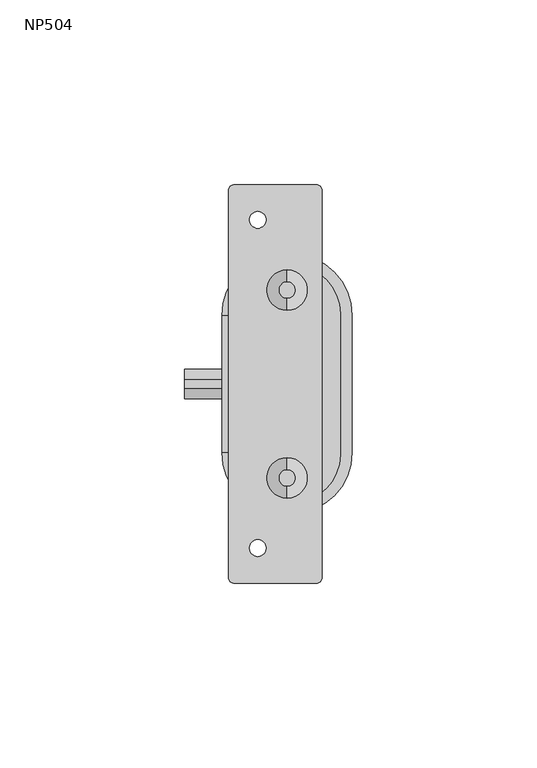
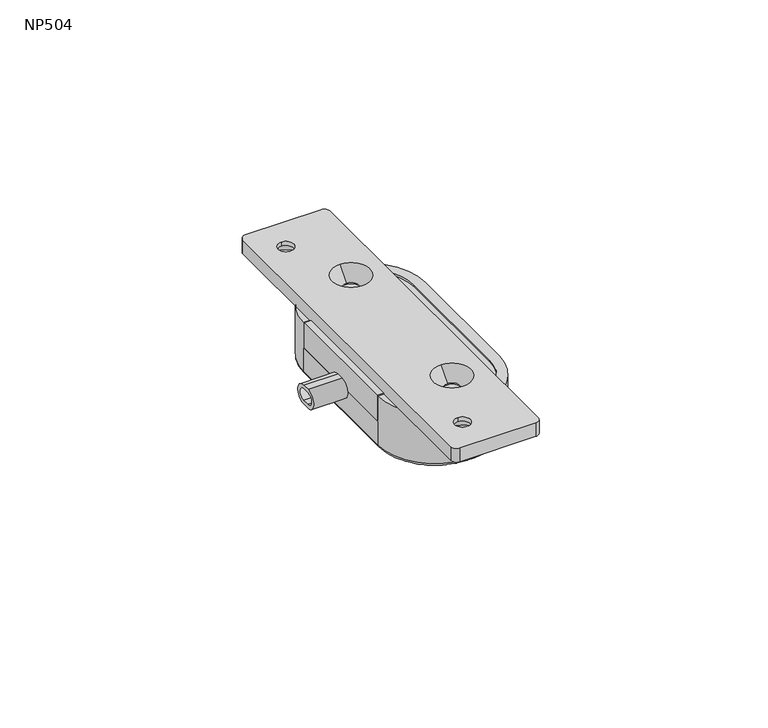
"""IFC4 building model written with IfcOpenShell, lengths in millimetres: furniture geometry, NP504."""

import ifcopenshell
import ifcopenshell.guid

model = None  # the IFC model being written
_history = None  # IfcOwnerHistory: only IFC2X3 demands one
_inside = {}  # id of a spatial element -> (the spatial element, [elements in it])
_under = {}  # id of a project, library or spatial element -> (it, [spatial elements below it])
_declared = {}  # id of a project -> (the project, [libraries it declares])
_typed = {}  # id of a type object -> (the type object, [elements of that type])
_made_of = {}  # id of a material, layer set ... -> (it, [elements and type objects made of it])


def new_model(schema):
    """Start an empty IFC model of exactly this schema.

    Asked for "IFC4X3", IfcOpenShell would pick the latest addendum, in which some entities
    have other attributes; the version numbers below select the first issue.
    IFC2X3 requires an IfcOwnerHistory on every rooted entity: one is made here for all.
    """
    global model, _history
    if schema == "IFC4X3":
        model = ifcopenshell.file(schema_version=(4, 3, 0, 0))
    else:
        model = ifcopenshell.file(schema=schema)
    _inside.clear()
    _under.clear()
    _declared.clear()
    _typed.clear()
    _made_of.clear()
    _history = None
    if model.schema == "IFC2X3":
        org = make("IfcOrganization", Name="unknown")
        user = make(
            "IfcPersonAndOrganization",
            ThePerson=make("IfcPerson", FamilyName="unknown"),
            TheOrganization=org,
        )
        app = make(
            "IfcApplication",
            ApplicationDeveloper=org,
            Version="unknown",
            ApplicationFullName="unknown",
            ApplicationIdentifier="unknown",
        )
        _history = make(
            "IfcOwnerHistory",
            OwningUser=user,
            OwningApplication=app,
            ChangeAction="ADDED",
            CreationDate=0,
        )
    return model


def make(cls, **values):
    """One entity of the class cls with the attributes given. An attribute that is None is left unset."""
    return model.create_entity(
        cls, **{name: value for name, value in values.items() if value is not None}
    )


def rooted(cls, **values):
    """An entity with a GlobalId (a new one), such as an element, a storey or a relation."""
    return make(cls, GlobalId=ifcopenshell.guid.new(), OwnerHistory=_history, **values)


def si_unit(unit_type, name, prefix=None):
    """IfcSIUnit, for example si_unit("LENGTHUNIT", "METRE", prefix="MILLI")."""
    return make("IfcSIUnit", UnitType=unit_type, Prefix=prefix, Name=name)


def assignment(units):
    """IfcUnitAssignment: the units of a project."""
    return None if units is None else make("IfcUnitAssignment", Units=units)


def point(xyz):
    """IfcCartesianPoint."""
    return None if xyz is None else make("IfcCartesianPoint", Coordinates=xyz)


def direction(xyz):
    """IfcDirection."""
    return None if xyz is None else make("IfcDirection", DirectionRatios=xyz)


def frame(location, z_axis=None, x_axis=None):
    """IfcAxis2Placement3D, a coordinate frame: its origin and axes. An axis left out is left unset."""
    return make(
        "IfcAxis2Placement3D",
        Location=point(location),
        Axis=direction(z_axis),
        RefDirection=direction(x_axis),
    )


def frame_2d(location, x_axis=None):
    """IfcAxis2Placement2D, a coordinate frame in the plane: its origin and x axis."""
    return make(
        "IfcAxis2Placement2D", Location=point(location), RefDirection=direction(x_axis)
    )


def origin():
    """The frame at (0, 0, 0) with its axes left unset."""
    return frame((0.0, 0.0, 0.0))


def place(relative_to, where):
    """IfcLocalPlacement: puts the frame where relative to a parent placement (None: the world)."""
    return make(
        "IfcLocalPlacement", PlacementRelTo=relative_to, RelativePlacement=where
    )


def context(
    kind, dimensions, precision=None, world=None, true_north=None, identifier=None
):
    """IfcGeometricRepresentationContext, for example the 3D "Model" context."""
    return make(
        "IfcGeometricRepresentationContext",
        ContextIdentifier=identifier,
        ContextType=kind,
        CoordinateSpaceDimension=dimensions,
        Precision=precision,
        WorldCoordinateSystem=world,
        TrueNorth=true_north,
    )


def project(units=None, contexts=None):
    """IfcProject with its units and contexts."""
    return rooted(
        "IfcProject",
        Name="project",
        RepresentationContexts=contexts,
        UnitsInContext=assignment(units),
    )


def spatial(cls, under=None, at=None, **own):
    """A site, building, storey or space (cls), placed at a placement, below another one or the project."""
    s = rooted(cls, ObjectPlacement=at, **own)
    if under is not None:
        _under.setdefault(under.id(), (under, []))[1].append(s)
    return s


def polyline(points):
    """IfcPolyline through the points."""
    return make("IfcPolyline", Points=[point(p) for p in points])


def circle_curve(where, radius):
    """IfcCircle in the frame where."""
    return make("IfcCircle", Position=where, Radius=radius)


def ellipse_curve(where, semi_axis1, semi_axis2):
    """IfcEllipse in the frame where."""
    return make(
        "IfcEllipse", Position=where, SemiAxis1=semi_axis1, SemiAxis2=semi_axis2
    )


def trimmed(basis, trim1, trim2, sense, master):
    """IfcTrimmedCurve: the piece of a basis curve between two trims."""
    return make(
        "IfcTrimmedCurve",
        BasisCurve=basis,
        Trim1=trim1,
        Trim2=trim2,
        SenseAgreement=sense,
        MasterRepresentation=master,
    )


def segment(curve, same_sense, transition):
    """IfcCompositeCurveSegment."""
    return make(
        "IfcCompositeCurveSegment",
        Transition=transition,
        SameSense=same_sense,
        ParentCurve=curve,
    )


def composite_curve(segments, self_intersect=None):
    """IfcCompositeCurve: segments joined end to end."""
    return make("IfcCompositeCurve", Segments=segments, SelfIntersect=self_intersect)


def outline(outer, holes=None, kind="AREA"):
    """IfcArbitraryClosedProfileDef: a profile drawn as a closed curve; with holes, ...WithVoids."""
    if holes is None:
        return make("IfcArbitraryClosedProfileDef", ProfileType=kind, OuterCurve=outer)
    return make(
        "IfcArbitraryProfileDefWithVoids",
        ProfileType=kind,
        OuterCurve=outer,
        InnerCurves=holes,
    )


def extrude(swept, where, along, depth):
    """IfcExtrudedAreaSolid: the profile swept, set in the frame where, extruded along a direction by depth."""
    return make(
        "IfcExtrudedAreaSolid",
        SweptArea=swept,
        Position=where,
        ExtrudedDirection=direction(along),
        Depth=depth,
    )


def shape(context_of_items, identifier, shape_type, items):
    """IfcShapeRepresentation: the items that make up one representation, for example the "Body"."""
    return make(
        "IfcShapeRepresentation",
        ContextOfItems=context_of_items,
        RepresentationIdentifier=identifier,
        RepresentationType=shape_type,
        Items=items,
    )


def source(mapping_origin, context_of_items, identifier, shape_type, items):
    """IfcRepresentationMap: a shape defined once, which mapped items show again and again."""
    return make(
        "IfcRepresentationMap",
        MappingOrigin=mapping_origin,
        MappedRepresentation=shape(context_of_items, identifier, shape_type, items),
    )


def transform(
    local_origin,
    x_axis=None,
    y_axis=None,
    z_axis=None,
    scale=None,
    scale2=None,
    scale3=None,
    uniform=True,
):
    """IfcCartesianTransformationOperator3D, or its non-uniform kind. x_axis, y_axis, z_axis: its Axis1, 2, 3."""
    if uniform:
        return make(
            "IfcCartesianTransformationOperator3D",
            Axis1=direction(x_axis),
            Axis2=direction(y_axis),
            LocalOrigin=point(local_origin),
            Scale=scale,
            Axis3=direction(z_axis),
        )
    return make(
        "IfcCartesianTransformationOperator3DnonUniform",
        Axis1=direction(x_axis),
        Axis2=direction(y_axis),
        LocalOrigin=point(local_origin),
        Scale=scale,
        Axis3=direction(z_axis),
        Scale2=scale2,
        Scale3=scale3,
    )


def mapped(mapping_source, mapping_target):
    """IfcMappedItem: shows the shape of a source again, moved by a transform."""
    return make(
        "IfcMappedItem", MappingSource=mapping_source, MappingTarget=mapping_target
    )


def made_of(thing, what):
    """Note that an element or type object is made of a material, layer set ...; save() writes the relation."""
    if what is not None:
        _made_of.setdefault(what.id(), (what, []))[1].append(thing)
    return thing


def element(
    cls,
    number,
    at=None,
    inside=None,
    cuts=None,
    type_object=None,
    material=None,
    context=None,
    identifier="Body",
    shape_type=None,
    held_by="IfcProductDefinitionShape",
    body=None,
    shapes=None,
    **own,
):
    """One element of the class cls, such as IfcWall. Its Tag is "e" and its number.

    at: its placement. inside: the storey or other place that contains it. cuts: it is an
    opening in that element (IfcRelVoidsElement). A single representation is given by context,
    identifier, shape_type and body (its items); several are given by shapes. held_by: the class
    of the entity that holds the representations. save() writes the other relations.
    """
    e = rooted(cls, Tag="e%d" % number, ObjectPlacement=at, **own)
    if body is not None:
        shapes = [shape(context, identifier, shape_type, body)]
    if shapes is not None:
        e.Representation = make(held_by, Representations=shapes)
    if inside is not None:
        _inside.setdefault(inside.id(), (inside, []))[1].append(e)
    if cuts is not None:
        rooted(
            "IfcRelVoidsElement", RelatingBuildingElement=cuts, RelatedOpeningElement=e
        )
    if type_object is not None:
        _typed.setdefault(type_object.id(), (type_object, []))[1].append(e)
    return made_of(e, material)


def aggregate(whole, parts):
    """IfcRelAggregates: a whole, such as a stair, and the parts it consists of."""
    return rooted("IfcRelAggregates", RelatingObject=whole, RelatedObjects=parts)


def save(model, path):
    """Write the relations noted so far, then the file.

    IfcRelAggregates (storeys below a building ...), IfcRelContainedInSpatialStructure (elements
    in a storey), IfcRelDefinesByType, IfcRelAssociatesMaterial and IfcRelDeclares: one each for
    every whole, place, type object, material and project.
    """
    for whole, parts in _under.values():
        aggregate(whole, parts)
    for where, things in _inside.values():
        rooted(
            "IfcRelContainedInSpatialStructure",
            RelatedElements=things,
            RelatingStructure=where,
        )
    for kind, things in _typed.values():
        rooted("IfcRelDefinesByType", RelatedObjects=things, RelatingType=kind)
    for what, things in _made_of.values():
        rooted("IfcRelAssociatesMaterial", RelatedObjects=things, RelatingMaterial=what)
    for by, libraries in _declared.values():
        rooted("IfcRelDeclares", RelatingContext=by, RelatedDefinitions=libraries)
    model.write(path)


def plane_surface(at):
    """IfcPlane: the flat surface through the origin of the frame at, square to its z axis."""
    return make("IfcPlane", Position=at)


def cylinder_surface(at, radius):
    """IfcCylindricalSurface: all points at the distance radius from the z axis of the frame at."""
    return make("IfcCylindricalSurface", Position=at, Radius=radius)


def revolved_surface(curve, axis_point, axis_direction):
    """IfcSurfaceOfRevolution: the curve turned about the line through axis_point along axis_direction."""
    return make(
        "IfcSurfaceOfRevolution",
        SweptCurve=make("IfcArbitraryOpenProfileDef", ProfileType="CURVE", Curve=curve),
        AxisPosition=make("IfcAxis1Placement", Location=point(axis_point), Axis=direction(axis_direction)),
    )


def advanced_brep(points, edges, surfaces, faces):
    """IfcAdvancedBrep: a solid bounded by faces that lie on surfaces and meet in shared edges.

    An edge is (start, end): straight between two places in points (the first is 0);
    or (start, end, curve); or (start, end, curve, False) where it runs against its curve.
    A face is (place in surfaces, loops), or (place, loops, False) where it looks against
    its surface's normal. A loop lists edges by number (the first is 1), with a minus sign
    where the edge is run from its end to its start. The first loop is the outer one.
    """
    corners = [point(p) for p in points]
    vertices = [make("IfcVertexPoint", VertexGeometry=c) for c in corners]
    made = []
    for start, end, *more in edges:
        made.append(
            make(
                "IfcEdgeCurve",
                EdgeStart=vertices[start],
                EdgeEnd=vertices[end],
                EdgeGeometry=more[0] if more else make("IfcPolyline", Points=[corners[start], corners[end]]),
                SameSense=more[1] if len(more) > 1 else True,
            )
        )
    hull = []
    for where, loops, *sense in faces:
        bounds = []
        for j, loop in enumerate(loops):
            ring = [make("IfcOrientedEdge", EdgeElement=made[abs(k) - 1], Orientation=k > 0) for k in loop]
            bounds.append(
                make(
                    "IfcFaceOuterBound" if j == 0 else "IfcFaceBound",
                    Bound=make("IfcEdgeLoop", EdgeList=ring),
                    Orientation=True,
                )
            )
        hull.append(make("IfcAdvancedFace", Bounds=bounds, FaceSurface=surfaces[where], SameSense=sense[0] if sense else True))
    return make("IfcAdvancedBrep", Outer=make("IfcClosedShell", CfsFaces=hull))


def np504_a72cf1e8(model_context):
    return source(origin(), model_context, "Body", "SolidModel", [
        extrude(outline(polyline([(-27.165, -18.415), (-27.165, 18.415), (-24.117, 18.415), (-24.117, -18.415), (-27.165, -18.415)])), frame((0.0, 0.0, -11.93546), z_axis=(0.0, 0.0, 1.0), x_axis=(1.0, 0.0, 0.0)), (0.0, 0.0, 1.0), 7.74446),
        advanced_brep(
        [(-25.4, 52.324, -4.191), (-23.749, 53.975, -4.191), (-1.651, 53.975, -4.191), (0.0, 52.324, -4.191), (0.0, -52.324, -4.191), (-1.651, -53.975, -4.191), (-23.749, -53.975, -4.191), (-25.4, -52.324, -4.191), (-12.7460418, -44.4412129, -4.191), (-22.1440418, -44.4412129, -4.191), (-12.7460418, 44.4587871, -4.191), (-22.1440418, 44.4587871, -4.191), (-9.4962863, -27.699568, -4.191), (-9.4962863, -23.1598636, -4.191), (-9.4962863, 23.1500414, -4.191), (-9.4962863, 27.6897458, -4.191), (-25.4, 52.324, 0.0), (-25.4, -52.324, 0.0), (-23.749, -53.975, 0.0), (-1.651, -53.975, 0.0), (0.0, -52.324, 0.0), (0.0, 52.324, 0.0), (-1.651, 53.975, 0.0), (-23.749, 53.975, 0.0), (-9.4962863, 30.8808936, 0.0), (-9.4962863, 19.9588936, 0.0), (-9.4962863, -19.9687158, 0.0), (-9.4962863, -30.8907158, 0.0), (-17.4450418, -46.7110652, 0.0), (-17.4450418, -42.1713607, 0.0), (-17.4450418, 42.1889348, 0.0), (-17.4450418, 46.7286393, 0.0), (-15.1751896, -44.4412129, -1.3076661), (-17.4450418, -42.1713607, -1.3076661), (-19.714894, -44.4412129, -1.3076661), (-17.4450418, -46.7110652, -1.3076661), (-15.1751896, 44.4587871, -1.3076661), (-17.4450418, 46.7286393, -1.3076661), (-19.714894, 44.4587871, -1.3076661), (-17.4450418, 42.1889348, -1.3076661), (-9.4962863, 27.6897458, -3.828242), (-9.4962863, 23.1500414, -3.828242), (-9.4962863, -23.1598636, -3.828242), (-9.4962863, -27.699568, -3.828242)],
        [
            (0, 1, circle_curve(frame((-23.749, 52.324, -4.191), z_axis=(0.0, 0.0, -1.0), x_axis=(0.0, 1.0, 0.0)), 1.651)),
            (1, 2),
            (2, 3, circle_curve(frame((-1.651, 52.324, -4.191), z_axis=(0.0, 0.0, -1.0), x_axis=(0.0, 1.0, 0.0)), 1.651)),
            (3, 4),
            (4, 5, circle_curve(frame((-1.651, -52.324, -4.191), z_axis=(0.0, 0.0, -1.0), x_axis=(0.0, 1.0, 0.0)), 1.651)),
            (5, 6),
            (6, 7, circle_curve(frame((-23.749, -52.324, -4.191), z_axis=(0.0, 0.0, -1.0), x_axis=(0.0, 1.0, 0.0)), 1.651)),
            (7, 0),
            (8, 9, circle_curve(frame((-17.4450418, -44.4412129, -4.191), z_axis=(0.0, 0.0, 1.0), x_axis=(1.0, 0.0, 0.0)), 4.699)),
            (9, 8, circle_curve(frame((-17.4450418, -44.4412129, -4.191), z_axis=(0.0, 0.0, 1.0), x_axis=(-1.0, 0.0, 0.0)), 4.699)),
            (10, 11, circle_curve(frame((-17.4450418, 44.4587871, -4.191), z_axis=(0.0, 0.0, 1.0), x_axis=(1.0, 0.0, 0.0)), 4.699)),
            (11, 10, circle_curve(frame((-17.4450418, 44.4587871, -4.191), z_axis=(0.0, 0.0, 1.0), x_axis=(-1.0, 0.0, 0.0)), 4.699)),
            (12, 13, circle_curve(frame((-9.4962863, -25.4297158, -4.191), z_axis=(0.0, 0.0, 1.0), x_axis=(0.0, 1.0, 0.0)), 2.2698522)),
            (13, 12, circle_curve(frame((-9.4962863, -25.4297158, -4.191), z_axis=(0.0, 0.0, 1.0), x_axis=(0.0, 1.0, 0.0)), 2.2698522)),
            (14, 15, circle_curve(frame((-9.4962863, 25.4198936, -4.191), z_axis=(0.0, 0.0, 1.0), x_axis=(0.0, 1.0, 0.0)), 2.2698522)),
            (15, 14, circle_curve(frame((-9.4962863, 25.4198936, -4.191), z_axis=(0.0, 0.0, 1.0), x_axis=(0.0, 1.0, 0.0)), 2.2698522)),
            (16, 17),
            (17, 18, circle_curve(frame((-23.749, -52.324, 0.0), z_axis=(0.0, 0.0, 1.0), x_axis=(0.0, 1.0, 0.0)), 1.651)),
            (18, 19),
            (19, 20, circle_curve(frame((-1.651, -52.324, 0.0), z_axis=(0.0, 0.0, 1.0), x_axis=(0.0, 1.0, 0.0)), 1.651)),
            (20, 21),
            (21, 22, circle_curve(frame((-1.651, 52.324, 0.0), z_axis=(0.0, 0.0, 1.0), x_axis=(0.0, 1.0, 0.0)), 1.651)),
            (22, 23),
            (23, 16, circle_curve(frame((-23.749, 52.324, 0.0), z_axis=(0.0, 0.0, 1.0), x_axis=(0.0, 1.0, 0.0)), 1.651)),
            (24, 25, circle_curve(frame((-9.4962863, 25.4198936, 0.0), z_axis=(0.0, 0.0, -1.0), x_axis=(0.0, 1.0, 0.0)), 5.461)),
            (25, 24, circle_curve(frame((-9.4962863, 25.4198936, 0.0), z_axis=(0.0, 0.0, -1.0), x_axis=(0.0, -1.0, 0.0)), 5.461)),
            (26, 27, circle_curve(frame((-9.4962863, -25.4297158, 0.0), z_axis=(0.0, 0.0, -1.0), x_axis=(0.0, 1.0, 0.0)), 5.461)),
            (27, 26, circle_curve(frame((-9.4962863, -25.4297158, 0.0), z_axis=(0.0, 0.0, -1.0), x_axis=(0.0, -1.0, 0.0)), 5.461)),
            (28, 29, circle_curve(frame((-17.4450418, -44.4412129, 0.0), z_axis=(0.0, 0.0, -1.0), x_axis=(0.0, 1.0, 0.0)), 2.2698522)),
            (29, 28, circle_curve(frame((-17.4450418, -44.4412129, 0.0), z_axis=(0.0, 0.0, -1.0), x_axis=(0.0, 1.0, 0.0)), 2.2698522)),
            (30, 31, circle_curve(frame((-17.4450418, 44.4587871, 0.0), z_axis=(0.0, 0.0, -1.0), x_axis=(0.0, 1.0, 0.0)), 2.2698522)),
            (31, 30, circle_curve(frame((-17.4450418, 44.4587871, 0.0), z_axis=(0.0, 0.0, -1.0), x_axis=(0.0, 1.0, 0.0)), 2.2698522)),
            (7, 17),
            (16, 0),
            (6, 18),
            (5, 19),
            (4, 20),
            (3, 21),
            (2, 22),
            (1, 23),
            (8, 32),
            (32, 33, circle_curve(frame((-17.4450418, -44.4412129, -1.3076661), z_axis=(0.0, 0.0, 1.0), x_axis=(1.0, 0.0, 0.0)), 2.2698522)),
            (33, 34, circle_curve(frame((-17.4450418, -44.4412129, -1.3076661), z_axis=(0.0, 0.0, 1.0), x_axis=(1.0, 0.0, 0.0)), 2.2698522)),
            (34, 9),
            (34, 35, circle_curve(frame((-17.4450418, -44.4412129, -1.3076661), z_axis=(0.0, 0.0, 1.0), x_axis=(-1.0, 0.0, 0.0)), 2.2698522)),
            (35, 32, circle_curve(frame((-17.4450418, -44.4412129, -1.3076661), z_axis=(0.0, 0.0, 1.0), x_axis=(-1.0, 0.0, 0.0)), 2.2698522)),
            (10, 36),
            (36, 37, circle_curve(frame((-17.4450418, 44.4587871, -1.3076661), z_axis=(0.0, 0.0, 1.0), x_axis=(1.0, 0.0, 0.0)), 2.2698522)),
            (37, 38, circle_curve(frame((-17.4450418, 44.4587871, -1.3076661), z_axis=(0.0, 0.0, 1.0), x_axis=(1.0, 0.0, 0.0)), 2.2698522)),
            (38, 11),
            (38, 39, circle_curve(frame((-17.4450418, 44.4587871, -1.3076661), z_axis=(0.0, 0.0, 1.0), x_axis=(-1.0, 0.0, 0.0)), 2.2698522)),
            (39, 36, circle_curve(frame((-17.4450418, 44.4587871, -1.3076661), z_axis=(0.0, 0.0, 1.0), x_axis=(-1.0, 0.0, 0.0)), 2.2698522)),
            (24, 40),
            (40, 41, circle_curve(frame((-9.4962863, 25.4198936, -3.828242), z_axis=(0.0, 0.0, -1.0), x_axis=(0.0, 1.0, 0.0)), 2.2698522)),
            (41, 25),
            (41, 40, circle_curve(frame((-9.4962863, 25.4198936, -3.828242), z_axis=(0.0, 0.0, -1.0), x_axis=(0.0, -1.0, 0.0)), 2.2698522)),
            (26, 42),
            (42, 43, circle_curve(frame((-9.4962863, -25.4297158, -3.828242), z_axis=(0.0, 0.0, -1.0), x_axis=(0.0, 1.0, 0.0)), 2.2698522)),
            (43, 27),
            (43, 42, circle_curve(frame((-9.4962863, -25.4297158, -3.828242), z_axis=(0.0, 0.0, -1.0), x_axis=(0.0, -1.0, 0.0)), 2.2698522)),
            (28, 35),
            (33, 29),
            (13, 42),
            (43, 12),
            (15, 40),
            (41, 14),
            (30, 39),
            (37, 31),
        ],
        [
            plane_surface(frame((-25.4, -52.3875, -4.191), z_axis=(0.0, 0.0, -1.0), x_axis=(0.0, 1.0, 0.0))),
            plane_surface(frame((-25.4, -52.3875, 0.0), z_axis=(0.0, 0.0, 1.0), x_axis=(0.0, -1.0, 0.0))),
            plane_surface(frame((-25.4, 52.324, 0.0), z_axis=(-1.0, 0.0, 0.0), x_axis=(0.0, 0.0, -1.0))),
            cylinder_surface(frame((-23.749, -52.324, -4.191), z_axis=(0.0, 0.0, 1.0), x_axis=(0.0, 1.0, 0.0)), 1.651),
            plane_surface(frame((-23.749, -53.975, 0.0), z_axis=(0.0, -1.0, 0.0), x_axis=(0.0, 0.0, -1.0))),
            cylinder_surface(frame((-1.651, -52.324, -4.191), z_axis=(0.0, 0.0, 1.0), x_axis=(0.0, 1.0, 0.0)), 1.651),
            plane_surface(frame((0.0, -52.324, 0.0), z_axis=(1.0, 0.0, 0.0), x_axis=(0.0, 0.0, -1.0))),
            cylinder_surface(frame((-1.651, 52.324, -4.191), z_axis=(0.0, 0.0, 1.0), x_axis=(0.0, 1.0, 0.0)), 1.651),
            plane_surface(frame((-1.651, 53.975, 0.0), z_axis=(0.0, 1.0, 0.0), x_axis=(0.0, 0.0, -1.0))),
            cylinder_surface(frame((-23.749, 52.324, -4.191), z_axis=(0.0, 0.0, 1.0), x_axis=(0.0, 1.0, 0.0)), 1.651),
            revolved_surface(polyline([(-12.7460418, -44.4412129, -4.191), (-15.175189580415198, -44.4412129, -1.3076660999999998)]), (-17.4450418, -44.4412129, 1.3865882), (0.0, 0.0, -1.0)),
            revolved_surface(polyline([(-12.7460418, 44.4587871, -4.191), (-15.175189580415198, 44.4587871, -1.3076660999999998)]), (-17.4450418, 44.4587871, 1.3865882), (0.0, 0.0, -1.0)),
            revolved_surface(polyline([(-9.4962863, 30.8808936, 0.0), (-9.4962863, 27.689745818301738, -3.828242)]), (-9.4962863, 25.4198936, -6.5512571), (0.0, 0.0, 1.0)),
            revolved_surface(polyline([(-9.4962863, -19.9687158, 0.0), (-9.4962863, -23.159863581698264, -3.828242)]), (-9.4962863, -25.4297158, -6.5512571), (0.0, 0.0, 1.0)),
            revolved_surface(polyline([(-17.4450418, -42.171360699999994, -1.3076661), (-17.4450418, -42.171360699999994, 0.0)]), (-17.4450418, -44.4412129, 0.0), (0.0, 0.0, -1.0)),
            revolved_surface(polyline([(-9.4962863, -23.1598636, -4.191), (-9.4962863, -23.1598636, -3.828242)]), (-9.4962863, -25.4297158, 0.0), (0.0, 0.0, -1.0)),
            revolved_surface(polyline([(-9.4962863, 27.6897458, -4.191), (-9.4962863, 27.6897458, -3.828242)]), (-9.4962863, 25.4198936, 0.0), (0.0, 0.0, -1.0)),
            revolved_surface(polyline([(-17.4450418, 46.728639300000005, -1.3076661), (-17.4450418, 46.728639300000005, 0.0)]), (-17.4450418, 44.4587871, 0.0), (0.0, 0.0, -1.0)),
        ],
        [
            (0, [[1, 2, 3, 4, 5, 6, 7, 8], [9, 10], [11, 12], [13, 14], [15, 16]]),
            (1, [[17, 18, 19, 20, 21, 22, 23, 24], [25, 26], [27, 28], [29, 30], [31, 32]]),
            (2, [[-8, 33, -17, 34]]),
            (3, [[-7, 35, -18, -33]]),
            (4, [[-6, 36, -19, -35]]),
            (5, [[-5, 37, -20, -36]]),
            (6, [[-4, 38, -21, -37]]),
            (7, [[-3, 39, -22, -38]]),
            (8, [[-2, 40, -23, -39]]),
            (9, [[-1, -34, -24, -40]]),
            (10, [[41, 42, 43, 44, -9]]),
            (10, [[-41, -10, -44, 45, 46]]),
            (11, [[47, 48, 49, 50, -11]]),
            (11, [[-47, -12, -50, 51, 52]]),
            (12, [[53, 54, 55, -25]]),
            (12, [[-53, -26, -55, 56]]),
            (13, [[57, 58, 59, -27]]),
            (13, [[-57, -28, -59, 60]]),
            (14, [[-29, 61, -45, -43, 62]]),
            (14, [[-30, -62, -42, -46, -61]]),
            (15, [[-14, 63, -60, 64]]),
            (15, [[-13, -64, -58, -63]]),
            (16, [[-16, 65, -56, 66]]),
            (16, [[-15, -66, -54, -65]]),
            (17, [[-31, 67, -51, -49, 68]]),
            (17, [[-32, -68, -48, -52, -67]]),
        ],
    ),
        extrude(outline(polyline([(-2.9467, -16.2297), (-2.9467, -6.7047), (5.575, -6.7047), (5.575, -16.2297), (-2.9467, -16.2297)])), frame((0.0, 0.0, -13.1552), z_axis=(0.0, 0.0, 1.0), x_axis=(1.0, 0.0, 0.0)), (0.0, 0.0, 1.0), 1.143),
        extrude(outline(polyline([(-2.9467, 6.7047), (-2.9467, 16.2297), (5.575, 16.2297), (5.575, 6.7047), (-2.9467, 6.7047)])), frame((0.0, 0.0, -13.1552), z_axis=(0.0, 0.0, 1.0), x_axis=(1.0, 0.0, 0.0)), (0.0, 0.0, 1.0), 1.143),
        advanced_brep(
        [(-27.165, -18.63, -4.191), (-10.655, -35.14, -4.191), (-8.395, -35.14, -4.191), (8.115, -18.63, -4.191), (8.115, 18.63, -4.191), (-8.395, 35.14, -4.191), (-10.655, 35.14, -4.191), (-27.165, 18.63, -4.191), (-24.117, 18.669, -4.191), (-24.117, 19.0466249, -4.191), (-11.0843249, 32.0793, -4.191), (-7.9486734, 32.0793, -4.191), (5.0543, 19.0763266, -4.191), (5.0543, -19.1502154, -4.191), (-7.8747846, -32.0793, -4.191), (-10.9660895, -32.0793, -4.191), (-24.117, -18.9283895, -4.191), (-24.117, -18.669, -4.191), (7.226, -18.63, -20.191), (-8.395, -34.251, -20.191), (-10.655, -34.251, -20.191), (-26.276, -18.63, -20.191), (-26.276, 18.63, -20.191), (-10.655, 34.251, -20.191), (-8.395, 34.251, -20.191), (7.226, 18.63, -20.191), (-27.165, 18.63, -19.302), (-27.165, -18.63, -19.302), (-27.165, -18.63, -12.18946), (-27.165, 18.63, -12.18946), (-10.655, -35.14, -19.302), (-8.395, -35.14, -19.302), (8.115, -18.63, -19.302), (8.115, 18.63, -19.302), (8.115, -18.2744, -9.0912), (8.115, -4.66, -9.0912), (8.115, -4.66, -15.3142), (8.115, -18.2744, -15.3142), (8.115, 4.66, -9.0912), (8.115, 18.2744, -9.0912), (8.115, 18.2744, -15.3142), (8.115, 4.66, -15.3142), (-8.395, 35.14, -19.302), (-10.655, 35.14, -19.302), (-2.9467, -18.2744, -9.0912), (-2.9467, -18.2744, -15.3142), (-2.9467, -4.66, -15.3142), (-2.9467, -4.66, -9.0912), (-2.9467, 4.66, -9.0912), (-2.9467, 4.66, -15.3142), (-2.9467, 18.2744, -15.3142), (-2.9467, 18.2744, -9.0912), (-24.117, 18.669, -12.18946), (-24.117, -18.669, -12.18946), (-24.117, -18.669, -4.8387), (-24.117, 18.669, -4.8387), (5.0543, 19.0763266, -4.8387), (-7.9486734, 32.0793, -4.8387), (-11.0843249, 32.0793, -4.8387), (-24.117, 19.0466249, -4.8387), (-24.117, -18.9283895, -4.8387), (-10.9660895, -32.0793, -4.8387), (-7.8747846, -32.0793, -4.8387), (5.0543, -19.1502154, -4.8387)],
        [
            (0, 1, circle_curve(frame((-10.655, -18.63, -4.191), z_axis=(0.0, 0.0, 1.0), x_axis=(1.0, 0.0, 0.0)), 16.51)),
            (1, 2),
            (2, 3, circle_curve(frame((-8.395, -18.63, -4.191), z_axis=(0.0, 0.0, 1.0), x_axis=(1.0, 0.0, 0.0)), 16.51)),
            (3, 4),
            (4, 5, circle_curve(frame((-8.395, 18.63, -4.191), z_axis=(0.0, 0.0, 1.0), x_axis=(1.0, 0.0, 0.0)), 16.51)),
            (5, 6),
            (6, 7, circle_curve(frame((-10.655, 18.63, -4.191), z_axis=(0.0, 0.0, 1.0), x_axis=(1.0, 0.0, 0.0)), 16.51)),
            (7, 8),
            (8, 9),
            (9, 10, circle_curve(frame((-11.0843249, 19.0466249, -4.191), z_axis=(0.0, 0.0, -1.0), x_axis=(1.0, 0.0, 0.0)), 13.0326751)),
            (10, 11),
            (11, 12, circle_curve(frame((-7.9486734, 19.0763266, -4.191), z_axis=(0.0, 0.0, -1.0), x_axis=(1.0, 0.0, 0.0)), 13.0029734)),
            (12, 13),
            (13, 14, circle_curve(frame((-7.8747846, -19.1502154, -4.191), z_axis=(0.0, 0.0, -1.0), x_axis=(1.0, 0.0, 0.0)), 12.9290846)),
            (14, 15),
            (15, 16, circle_curve(frame((-10.9660895, -18.9283895, -4.191), z_axis=(0.0, 0.0, -1.0), x_axis=(1.0, 0.0, 0.0)), 13.1509105)),
            (16, 17),
            (17, 0),
            (18, 19, circle_curve(frame((-8.395, -18.63, -20.191), z_axis=(0.0, 0.0, -1.0), x_axis=(1.0, 0.0, 0.0)), 15.621)),
            (19, 20),
            (20, 21, circle_curve(frame((-10.655, -18.63, -20.191), z_axis=(0.0, 0.0, -1.0), x_axis=(0.0, -1.0, 0.0)), 15.621)),
            (21, 22),
            (22, 23, circle_curve(frame((-10.655, 18.63, -20.191), z_axis=(0.0, 0.0, -1.0), x_axis=(-1.0, 0.0, 0.0)), 15.621)),
            (23, 24),
            (24, 25, circle_curve(frame((-8.395, 18.63, -20.191), z_axis=(0.0, 0.0, -1.0), x_axis=(0.0, 1.0, 0.0)), 15.621)),
            (25, 18),
            (26, 27),
            (27, 28),
            (28, 29),
            (29, 26),
            (0, 28),
            (27, 30, circle_curve(frame((-10.655, -18.63, -19.302), z_axis=(0.0, 0.0, 1.0), x_axis=(1.0, 0.0, 0.0)), 16.51)),
            (30, 1),
            (30, 31),
            (31, 2),
            (31, 32, circle_curve(frame((-8.395, -18.63, -19.302), z_axis=(0.0, 0.0, 1.0), x_axis=(1.0, 0.0, 0.0)), 16.51)),
            (32, 3),
            (32, 33),
            (33, 4),
            (34, 35),
            (35, 36),
            (36, 37),
            (37, 34),
            (38, 39),
            (39, 40),
            (40, 41),
            (41, 38),
            (33, 42, circle_curve(frame((-8.395, 18.63, -19.302), z_axis=(0.0, 0.0, 1.0), x_axis=(1.0, 0.0, 0.0)), 16.51)),
            (42, 5),
            (42, 43),
            (43, 6),
            (43, 26, circle_curve(frame((-10.655, 18.63, -19.302), z_axis=(0.0, 0.0, 1.0), x_axis=(1.0, 0.0, 0.0)), 16.51)),
            (29, 7),
            (44, 45),
            (45, 46),
            (46, 47),
            (47, 44),
            (48, 49),
            (49, 50),
            (50, 51),
            (51, 48),
            (47, 35),
            (34, 44),
            (46, 36),
            (45, 37),
            (51, 39),
            (38, 48),
            (50, 40),
            (49, 41),
            (31, 19, circle_curve(frame((-8.395, -34.251, -19.302), z_axis=(1.0, 0.0, 0.0), x_axis=(0.0, 1.0, 0.0)), 0.889)),
            (18, 32, circle_curve(frame((7.226, -18.63, -19.302), z_axis=(0.0, -1.0, 0.0), x_axis=(-1.0, 0.0, 0.0)), 0.889)),
            (30, 20, circle_curve(frame((-10.655, -34.251, -19.302), z_axis=(1.0, 0.0, 0.0), x_axis=(0.0, 1.0, 0.0)), 0.889)),
            (27, 21, circle_curve(frame((-26.276, -18.63, -19.302), z_axis=(0.0, -1.0, 0.0), x_axis=(1.0, 0.0, 0.0)), 0.889)),
            (26, 22, circle_curve(frame((-26.276, 18.63, -19.302), z_axis=(0.0, -1.0, 0.0), x_axis=(1.0, 0.0, 0.0)), 0.889)),
            (43, 23, circle_curve(frame((-10.655, 34.251, -19.302), z_axis=(-1.0, 0.0, 0.0), x_axis=(0.0, -1.0, 0.0)), 0.889)),
            (42, 24, circle_curve(frame((-8.395, 34.251, -19.302), z_axis=(-1.0, 0.0, 0.0), x_axis=(0.0, -1.0, 0.0)), 0.889)),
            (33, 25, circle_curve(frame((7.226, 18.63, -19.302), z_axis=(0.0, 1.0, 0.0), x_axis=(-1.0, 0.0, 0.0)), 0.889)),
            (52, 53),
            (53, 54),
            (54, 55),
            (55, 52),
            (29, 52),
            (55, 8),
            (28, 53),
            (17, 54),
            (56, 57, circle_curve(frame((-7.9486734, 19.0763266, -4.8387), z_axis=(0.0, 0.0, 1.0), x_axis=(1.0, 0.0, 0.0)), 13.0029734)),
            (57, 58),
            (58, 59, circle_curve(frame((-11.0843249, 19.0466249, -4.8387), z_axis=(0.0, 0.0, 1.0), x_axis=(1.0, 0.0, 0.0)), 13.0326751)),
            (59, 55),
            (54, 60),
            (60, 61, circle_curve(frame((-10.9660895, -18.9283895, -4.8387), z_axis=(0.0, 0.0, 1.0), x_axis=(1.0, 0.0, 0.0)), 13.1509105)),
            (61, 62),
            (62, 63, circle_curve(frame((-7.8747846, -19.1502154, -4.8387), z_axis=(0.0, 0.0, 1.0), x_axis=(1.0, 0.0, 0.0)), 12.9290846)),
            (63, 56),
            (56, 12),
            (11, 57),
            (10, 58),
            (9, 59),
            (16, 60),
            (15, 61),
            (14, 62),
            (13, 63),
        ],
        [
            plane_surface(frame((-27.165, -19.011, -4.191), z_axis=(0.0, 0.0, 1.0), x_axis=(0.0, -1.0, 0.0))),
            plane_surface(frame((-27.165, -19.011, -20.191), z_axis=(0.0, 0.0, -1.0), x_axis=(0.0, 1.0, 0.0))),
            plane_surface(frame((-27.165, 18.63, -4.191), z_axis=(-1.0, 0.0, 0.0), x_axis=(0.0, 0.0, -1.0))),
            cylinder_surface(frame((-10.655, -18.63, -20.191), z_axis=(0.0, 0.0, 1.0), x_axis=(1.0, 0.0, 0.0)), 16.51),
            plane_surface(frame((-10.655, -35.14, -4.191), z_axis=(0.0, -1.0, 0.0), x_axis=(0.0, 0.0, -1.0))),
            cylinder_surface(frame((-8.395, -18.63, -20.191), z_axis=(0.0, 0.0, 1.0), x_axis=(1.0, 0.0, 0.0)), 16.51),
            plane_surface(frame((8.115, -18.63, -4.191), z_axis=(1.0, 0.0, 0.0), x_axis=(0.0, 0.0, -1.0))),
            cylinder_surface(frame((-8.395, 18.63, -20.191), z_axis=(0.0, 0.0, 1.0), x_axis=(1.0, 0.0, 0.0)), 16.51),
            plane_surface(frame((-8.395, 35.14, -4.191), z_axis=(0.0, 1.0, 0.0), x_axis=(0.0, 0.0, -1.0))),
            cylinder_surface(frame((-10.655, 18.63, -20.191), z_axis=(0.0, 0.0, 1.0), x_axis=(1.0, 0.0, 0.0)), 16.51),
            plane_surface(frame((-2.9467, -4.7362, -9.0912), z_axis=(1.0, 0.0, 0.0), x_axis=(0.0, 1.0, 0.0))),
            plane_surface(frame((-2.9467, -18.2744, -9.0912), z_axis=(0.0, 0.0, -1.0), x_axis=(1.0, 0.0, 0.0))),
            plane_surface(frame((-2.9467, -4.66, -9.0912), z_axis=(0.0, -1.0, 0.0), x_axis=(1.0, 0.0, 0.0))),
            plane_surface(frame((-2.9467, -4.66, -15.3142), z_axis=(0.0, 0.0, 1.0), x_axis=(1.0, 0.0, 0.0))),
            plane_surface(frame((-2.9467, -18.2744, -15.3142), z_axis=(0.0, 1.0, 0.0), x_axis=(1.0, 0.0, 0.0))),
            plane_surface(frame((-2.9467, 4.66, -9.0912), z_axis=(0.0, 0.0, -1.0), x_axis=(1.0, 0.0, 0.0))),
            plane_surface(frame((-2.9467, 18.2744, -9.0912), z_axis=(0.0, -1.0, 0.0), x_axis=(1.0, 0.0, 0.0))),
            plane_surface(frame((-2.9467, 18.2744, -15.3142), z_axis=(0.0, 0.0, 1.0), x_axis=(1.0, 0.0, 0.0))),
            plane_surface(frame((-2.9467, 4.66, -15.3142), z_axis=(0.0, 1.0, 0.0), x_axis=(1.0, 0.0, 0.0))),
            revolved_surface(trimmed(ellipse_curve(frame((7.226, -18.63, -19.302), z_axis=(0.0, 1.0, 0.0), x_axis=(-1.0, 0.0, 0.0)), 0.889, 0.889), [point((8.115, -18.63, -19.302))], [point((7.226, -18.63, -20.191))], True, "CARTESIAN"), (-8.395, -18.63, -20.191), (0.0, 0.0, -1.0)),
            cylinder_surface(frame((-8.395, -34.251, -19.302), z_axis=(-1.0, 0.0, 0.0), x_axis=(0.0, 1.0, 0.0)), 0.889),
            revolved_surface(trimmed(ellipse_curve(frame((-10.655, -34.251, -19.302), z_axis=(1.0, 0.0, 0.0), x_axis=(0.0, 1.0, 0.0)), 0.889, 0.889), [point((-10.655, -35.14, -19.302))], [point((-10.655, -34.251, -20.191))], True, "CARTESIAN"), (-10.655, -18.63, -20.191), (0.0, 0.0, -1.0)),
            cylinder_surface(frame((-26.276, -18.63, -19.302), z_axis=(0.0, 1.0, 0.0), x_axis=(1.0, 0.0, 0.0)), 0.889),
            revolved_surface(trimmed(ellipse_curve(frame((-26.276, 18.63, -19.302), z_axis=(0.0, -1.0, 0.0), x_axis=(1.0, 0.0, 0.0)), 0.889, 0.889), [point((-27.165, 18.63, -19.302))], [point((-26.276, 18.63, -20.191))], True, "CARTESIAN"), (-10.655, 18.63, -20.191), (0.0, 0.0, -1.0)),
            cylinder_surface(frame((-10.655, 34.251, -19.302), z_axis=(1.0, 0.0, 0.0), x_axis=(0.0, -1.0, 0.0)), 0.889),
            revolved_surface(trimmed(ellipse_curve(frame((-8.395, 34.251, -19.302), z_axis=(-1.0, 0.0, 0.0), x_axis=(0.0, -1.0, 0.0)), 0.889, 0.889), [point((-8.395, 35.14, -19.302))], [point((-8.395, 34.251, -20.191))], True, "CARTESIAN"), (-8.395, 18.63, -20.191), (0.0, 0.0, -1.0)),
            cylinder_surface(frame((7.226, 18.63, -19.302), z_axis=(0.0, -1.0, 0.0), x_axis=(-1.0, 0.0, 0.0)), 0.889),
            plane_surface(frame((-24.117, -18.669, -4.191), z_axis=(-1.0, 0.0, 0.0), x_axis=(0.0, 0.0, -1.0))),
            plane_surface(frame((-28.1128919, 18.669, -3.7734279), z_axis=(0.0, -1.0, 0.0), x_axis=(1.0, 0.0, 0.0))),
            plane_surface(frame((-28.1128919, 18.669, -12.18946), z_axis=(0.0, 0.0, 1.0), x_axis=(1.0, 0.0, 0.0))),
            plane_surface(frame((-28.1128919, -18.669, -12.18946), z_axis=(0.0, 1.0, 0.0), x_axis=(1.0, 0.0, 0.0))),
            plane_surface(frame((5.0543, 19.0763266, -4.8387), z_axis=(0.0, 0.0, 1.0), x_axis=(0.0, -1.0, 0.0))),
            revolved_surface(polyline([(5.0543000000000005, 19.0763266, -4.191), (5.0543000000000005, 19.0763266, -4.8387)]), (-7.9486734, 19.0763266, -4.8387), (0.0, 0.0, 1.0)),
            plane_surface(frame((-7.9486734, 32.0793, -4.191), z_axis=(0.0, -1.0, 0.0), x_axis=(0.0, 0.0, -1.0))),
            revolved_surface(polyline([(1.9483502000000001, 19.0466249, -4.191), (1.9483502000000001, 19.0466249, -4.8387)]), (-11.0843249, 19.0466249, -4.8387), (0.0, 0.0, 1.0)),
            plane_surface(frame((-24.117, 19.0466249, -4.191), z_axis=(1.0, 0.0, 0.0), x_axis=(0.0, 0.0, -1.0))),
            revolved_surface(polyline([(2.1848209999999995, -18.9283895, -4.191), (2.1848209999999995, -18.9283895, -4.8387)]), (-10.9660895, -18.9283895, -4.8387), (0.0, 0.0, 1.0)),
            plane_surface(frame((-10.9660895, -32.0793, -4.191), z_axis=(0.0, 1.0, 0.0), x_axis=(0.0, 0.0, -1.0))),
            revolved_surface(polyline([(5.0543, -19.1502154, -4.191), (5.0543, -19.1502154, -4.8387)]), (-7.8747846, -19.1502154, -4.8387), (0.0, 0.0, 1.0)),
            plane_surface(frame((5.0543, -19.1502154, -4.191), z_axis=(-1.0, 0.0, 0.0), x_axis=(0.0, 0.0, -1.0))),
        ],
        [
            (0, [[1, 2, 3, 4, 5, 6, 7, 8, 9, 10, 11, 12, 13, 14, 15, 16, 17, 18]]),
            (1, [[19, 20, 21, 22, 23, 24, 25, 26]]),
            (2, [[27, 28, 29, 30]]),
            (3, [[-1, 31, -28, 32, 33]]),
            (4, [[-2, -33, 34, 35]]),
            (5, [[-3, -35, 36, 37]]),
            (6, [[-4, -37, 38, 39], [40, 41, 42, 43], [44, 45, 46, 47]]),
            (7, [[-5, -39, 48, 49]]),
            (8, [[-6, -49, 50, 51]]),
            (9, [[-7, -51, 52, -30, 53]]),
            (10, [[54, 55, 56, 57]]),
            (10, [[58, 59, 60, 61]]),
            (11, [[-57, 62, -40, 63]]),
            (12, [[-56, 64, -41, -62]]),
            (13, [[-55, 65, -42, -64]]),
            (14, [[-54, -63, -43, -65]]),
            (15, [[-61, 66, -44, 67]]),
            (16, [[-60, 68, -45, -66]]),
            (17, [[-59, 69, -46, -68]]),
            (18, [[-58, -67, -47, -69]]),
            (19, [[70, -19, 71, -36]]),
            (20, [[-70, -34, 72, -20]]),
            (21, [[-72, -32, 73, -21]]),
            (22, [[-73, -27, 74, -22]]),
            (23, [[-74, -52, 75, -23]]),
            (24, [[-75, -50, 76, -24]]),
            (25, [[-76, -48, 77, -25]]),
            (26, [[-71, -26, -77, -38]]),
            (27, [[78, 79, 80, 81]]),
            (28, [[82, -81, 83, -8, -53]]),
            (29, [[-78, -82, -29, 84]]),
            (30, [[-84, -31, -18, 85, -79]]),
            (31, [[86, 87, 88, 89, -80, 90, 91, 92, 93, 94]]),
            (32, [[-86, 95, -12, 96]]),
            (33, [[-87, -96, -11, 97]]),
            (34, [[-88, -97, -10, 98]]),
            (35, [[-98, -9, -83, -89]]),
            (35, [[99, -90, -85, -17]]),
            (36, [[-91, -99, -16, 100]]),
            (37, [[-92, -100, -15, 101]]),
            (38, [[-93, -101, -14, 102]]),
            (39, [[-94, -102, -13, -95]]),
        ],
    ),
        extrude(outline(composite_curve([segment(polyline([(-1.1122537, -9.3335), (1.126525, -9.3335)]), True, "CONTINUOUS"), segment(trimmed(circle_curve(frame_2d((1.126525, -12.191)), 2.8575), [point((1.126525, -9.3335))], [point((1.126525, -15.0485))], False, "CARTESIAN"), True, "CONTINUOUS"), segment(polyline([(1.126525, -15.0485), (-1.1122537, -15.0485)]), True, "CONTINUOUS"), segment(trimmed(circle_curve(frame_2d((-1.1122537, -12.191)), 2.8575), [point((-1.1122537, -15.0485))], [point((-1.1122537, -9.3335))], False, "CARTESIAN"), True, "CONTINUOUS")], self_intersect=False), holes=[composite_curve([segment(trimmed(circle_curve(frame_2d((-1.1031374, -12.191)), 1.7145), [point((-1.1031374, -10.4765))], [point((-1.1031374, -13.9055))], True, "CARTESIAN"), True, "CONTINUOUS"), segment(polyline([(-1.1031374, -13.9055), (1.0831046, -13.9055)]), True, "CONTINUOUS"), segment(trimmed(circle_curve(frame_2d((1.0831046, -12.191)), 1.7145), [point((1.0831046, -13.9055))], [point((1.0831046, -10.4765))], True, "CARTESIAN"), True, "CONTINUOUS"), segment(polyline([(1.0831046, -10.4765), (-1.1031374, -10.4765)]), True, "CONTINUOUS")], self_intersect=False)]), frame((-37.2996, 0.0, 0.0), z_axis=(1.0, 0.0, 0.0), x_axis=(0.0, 1.0, 0.0)), (0.0, 0.0, 1.0), 10.1346),
    ])


if __name__ == "__main__":
    model = new_model("IFC4")
    model_context = context("Model", 3, world=origin())
    ifc_project = project(units=[si_unit("LENGTHUNIT", "METRE", prefix="MILLI")], contexts=[model_context])
    site = spatial("IfcSite", under=ifc_project)
    building = spatial("IfcBuilding", under=site)
    placement = place(None, origin())
    np504_shape = np504_a72cf1e8(model_context)
    element("IfcFurniture", 1, ObjectType="NP504", at=placement, inside=building, context=model_context, shape_type="MappedRepresentation", body=[
        mapped(np504_shape, transform((0.0, 0.0, 0.0), x_axis=(1.0, 0.0, 0.0), y_axis=(0.0, 1.0, 0.0), z_axis=(0.0, 0.0, 1.0))),
    ])
    save(model, "model.ifc")
